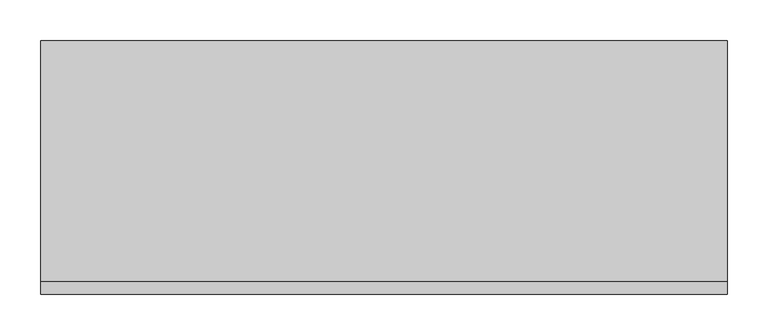
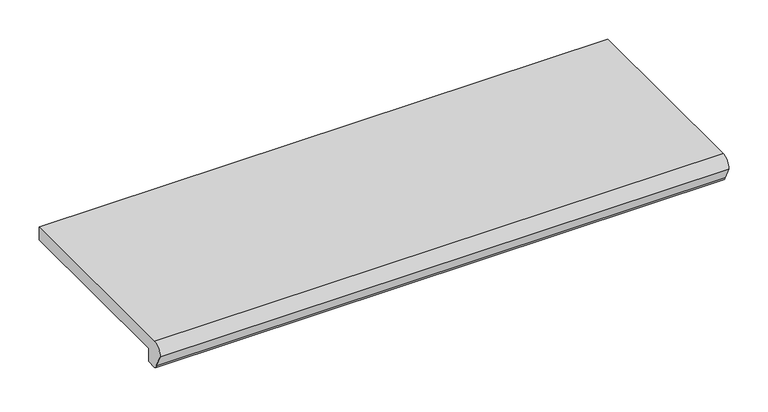
"""IFC4 building model written with IfcOpenShell, lengths in millimetres: proxy geometry."""

from ifc_helpers import new_model, si_unit, point, frame, frame_2d, origin, place, context, project, spatial, polyline, circle_curve, trimmed, segment, composite_curve, outline, extrude, source, transform, mapped, element, save


def generic_models_1c3011c6(model_context):
    return source(origin(), model_context, "Body", "SweptSolid", [
        extrude(outline(composite_curve([segment(polyline([(-295.0, 30.0), (0.0, 30.0), (0.0, 10.0), (-280.0, 10.0), (-280.0, -10.0), (-295.0, -10.0)]), True, "CONTINUOUS"), segment(trimmed(circle_curve(frame_2d((-295.0, -5.0)), 5.0), [point((-295.0, -10.0))], [point((-300.0, -5.0))], False, "CARTESIAN"), True, "CONTINUOUS"), segment(polyline([(-300.0, -5.0), (-310.0, 15.0)]), True, "CONTINUOUS"), segment(trimmed(circle_curve(frame_2d((-295.0, 15.0)), 15.0), [point((-310.0, 15.0))], [point((-295.0, 30.0))], False, "CARTESIAN"), True, "CONTINUOUS")], self_intersect=False)), frame((-420.0, 0.0, 0.0), z_axis=(1.0, 0.0, 0.0), x_axis=(0.0, 1.0, 0.0)), (0.0, 0.0, 1.0), 840.0),
    ])


if __name__ == "__main__":
    model = new_model("IFC4")
    model_context = context("Model", 3, world=origin())
    ifc_project = project(units=[si_unit("LENGTHUNIT", "METRE", prefix="MILLI")], contexts=[model_context])
    site = spatial("IfcSite", under=ifc_project)
    building = spatial("IfcBuilding", under=site)
    placement = place(None, origin())
    generic_models_shape = generic_models_1c3011c6(model_context)
    element("IfcBuildingElementProxy", 1, Name="Generic Models", at=placement, inside=building, context=model_context, shape_type="MappedRepresentation", body=[
        mapped(generic_models_shape, transform((0.0, 0.0, 0.0), x_axis=(1.0, 0.0, 0.0), y_axis=(0.0, 1.0, 0.0), z_axis=(0.0, 0.0, 1.0))),
    ])
    save(model, "model.ifc")
